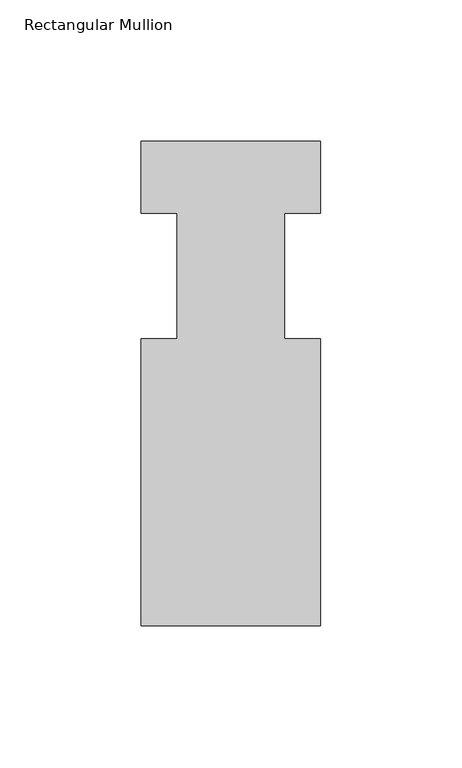
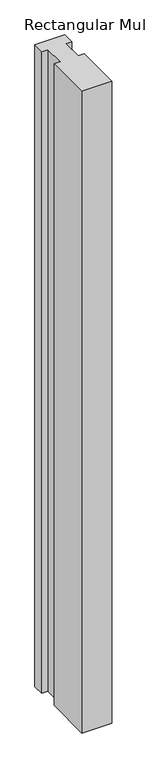
"""IFC4 building model written with IfcOpenShell, lengths in millimetres: member geometry, Rectangular Mullion."""

import ifcopenshell
import ifcopenshell.guid

model = None  # the IFC model being written
_history = None  # IfcOwnerHistory: only IFC2X3 demands one
_inside = {}  # id of a spatial element -> (the spatial element, [elements in it])
_under = {}  # id of a project, library or spatial element -> (it, [spatial elements below it])
_declared = {}  # id of a project -> (the project, [libraries it declares])
_typed = {}  # id of a type object -> (the type object, [elements of that type])
_made_of = {}  # id of a material, layer set ... -> (it, [elements and type objects made of it])


def new_model(schema):
    """Start an empty IFC model of exactly this schema.

    Asked for "IFC4X3", IfcOpenShell would pick the latest addendum, in which some entities
    have other attributes; the version numbers below select the first issue.
    IFC2X3 requires an IfcOwnerHistory on every rooted entity: one is made here for all.
    """
    global model, _history
    if schema == "IFC4X3":
        model = ifcopenshell.file(schema_version=(4, 3, 0, 0))
    else:
        model = ifcopenshell.file(schema=schema)
    _inside.clear()
    _under.clear()
    _declared.clear()
    _typed.clear()
    _made_of.clear()
    _history = None
    if model.schema == "IFC2X3":
        org = make("IfcOrganization", Name="unknown")
        user = make(
            "IfcPersonAndOrganization",
            ThePerson=make("IfcPerson", FamilyName="unknown"),
            TheOrganization=org,
        )
        app = make(
            "IfcApplication",
            ApplicationDeveloper=org,
            Version="unknown",
            ApplicationFullName="unknown",
            ApplicationIdentifier="unknown",
        )
        _history = make(
            "IfcOwnerHistory",
            OwningUser=user,
            OwningApplication=app,
            ChangeAction="ADDED",
            CreationDate=0,
        )
    return model


def make(cls, **values):
    """One entity of the class cls with the attributes given. An attribute that is None is left unset."""
    return model.create_entity(
        cls, **{name: value for name, value in values.items() if value is not None}
    )


def rooted(cls, **values):
    """An entity with a GlobalId (a new one), such as an element, a storey or a relation."""
    return make(cls, GlobalId=ifcopenshell.guid.new(), OwnerHistory=_history, **values)


def si_unit(unit_type, name, prefix=None):
    """IfcSIUnit, for example si_unit("LENGTHUNIT", "METRE", prefix="MILLI")."""
    return make("IfcSIUnit", UnitType=unit_type, Prefix=prefix, Name=name)


def assignment(units):
    """IfcUnitAssignment: the units of a project."""
    return None if units is None else make("IfcUnitAssignment", Units=units)


def point(xyz):
    """IfcCartesianPoint."""
    return None if xyz is None else make("IfcCartesianPoint", Coordinates=xyz)


def direction(xyz):
    """IfcDirection."""
    return None if xyz is None else make("IfcDirection", DirectionRatios=xyz)


def frame(location, z_axis=None, x_axis=None):
    """IfcAxis2Placement3D, a coordinate frame: its origin and axes. An axis left out is left unset."""
    return make(
        "IfcAxis2Placement3D",
        Location=point(location),
        Axis=direction(z_axis),
        RefDirection=direction(x_axis),
    )


def origin():
    """The frame at (0, 0, 0) with its axes left unset."""
    return frame((0.0, 0.0, 0.0))


def place(relative_to, where):
    """IfcLocalPlacement: puts the frame where relative to a parent placement (None: the world)."""
    return make(
        "IfcLocalPlacement", PlacementRelTo=relative_to, RelativePlacement=where
    )


def context(
    kind, dimensions, precision=None, world=None, true_north=None, identifier=None
):
    """IfcGeometricRepresentationContext, for example the 3D "Model" context."""
    return make(
        "IfcGeometricRepresentationContext",
        ContextIdentifier=identifier,
        ContextType=kind,
        CoordinateSpaceDimension=dimensions,
        Precision=precision,
        WorldCoordinateSystem=world,
        TrueNorth=true_north,
    )


def project(units=None, contexts=None):
    """IfcProject with its units and contexts."""
    return rooted(
        "IfcProject",
        Name="project",
        RepresentationContexts=contexts,
        UnitsInContext=assignment(units),
    )


def spatial(cls, under=None, at=None, **own):
    """A site, building, storey or space (cls), placed at a placement, below another one or the project."""
    s = rooted(cls, ObjectPlacement=at, **own)
    if under is not None:
        _under.setdefault(under.id(), (under, []))[1].append(s)
    return s


def polyline(points):
    """IfcPolyline through the points."""
    return make("IfcPolyline", Points=[point(p) for p in points])


def outline(outer, holes=None, kind="AREA"):
    """IfcArbitraryClosedProfileDef: a profile drawn as a closed curve; with holes, ...WithVoids."""
    if holes is None:
        return make("IfcArbitraryClosedProfileDef", ProfileType=kind, OuterCurve=outer)
    return make(
        "IfcArbitraryProfileDefWithVoids",
        ProfileType=kind,
        OuterCurve=outer,
        InnerCurves=holes,
    )


def extrude(swept, where, along, depth):
    """IfcExtrudedAreaSolid: the profile swept, set in the frame where, extruded along a direction by depth."""
    return make(
        "IfcExtrudedAreaSolid",
        SweptArea=swept,
        Position=where,
        ExtrudedDirection=direction(along),
        Depth=depth,
    )


def shape(context_of_items, identifier, shape_type, items):
    """IfcShapeRepresentation: the items that make up one representation, for example the "Body"."""
    return make(
        "IfcShapeRepresentation",
        ContextOfItems=context_of_items,
        RepresentationIdentifier=identifier,
        RepresentationType=shape_type,
        Items=items,
    )


def source(mapping_origin, context_of_items, identifier, shape_type, items):
    """IfcRepresentationMap: a shape defined once, which mapped items show again and again."""
    return make(
        "IfcRepresentationMap",
        MappingOrigin=mapping_origin,
        MappedRepresentation=shape(context_of_items, identifier, shape_type, items),
    )


def transform(
    local_origin,
    x_axis=None,
    y_axis=None,
    z_axis=None,
    scale=None,
    scale2=None,
    scale3=None,
    uniform=True,
):
    """IfcCartesianTransformationOperator3D, or its non-uniform kind. x_axis, y_axis, z_axis: its Axis1, 2, 3."""
    if uniform:
        return make(
            "IfcCartesianTransformationOperator3D",
            Axis1=direction(x_axis),
            Axis2=direction(y_axis),
            LocalOrigin=point(local_origin),
            Scale=scale,
            Axis3=direction(z_axis),
        )
    return make(
        "IfcCartesianTransformationOperator3DnonUniform",
        Axis1=direction(x_axis),
        Axis2=direction(y_axis),
        LocalOrigin=point(local_origin),
        Scale=scale,
        Axis3=direction(z_axis),
        Scale2=scale2,
        Scale3=scale3,
    )


def mapped(mapping_source, mapping_target):
    """IfcMappedItem: shows the shape of a source again, moved by a transform."""
    return make(
        "IfcMappedItem", MappingSource=mapping_source, MappingTarget=mapping_target
    )


def made_of(thing, what):
    """Note that an element or type object is made of a material, layer set ...; save() writes the relation."""
    if what is not None:
        _made_of.setdefault(what.id(), (what, []))[1].append(thing)
    return thing


def element(
    cls,
    number,
    at=None,
    inside=None,
    cuts=None,
    type_object=None,
    material=None,
    context=None,
    identifier="Body",
    shape_type=None,
    held_by="IfcProductDefinitionShape",
    body=None,
    shapes=None,
    **own,
):
    """One element of the class cls, such as IfcWall. Its Tag is "e" and its number.

    at: its placement. inside: the storey or other place that contains it. cuts: it is an
    opening in that element (IfcRelVoidsElement). A single representation is given by context,
    identifier, shape_type and body (its items); several are given by shapes. held_by: the class
    of the entity that holds the representations. save() writes the other relations.
    """
    e = rooted(cls, Tag="e%d" % number, ObjectPlacement=at, **own)
    if body is not None:
        shapes = [shape(context, identifier, shape_type, body)]
    if shapes is not None:
        e.Representation = make(held_by, Representations=shapes)
    if inside is not None:
        _inside.setdefault(inside.id(), (inside, []))[1].append(e)
    if cuts is not None:
        rooted(
            "IfcRelVoidsElement", RelatingBuildingElement=cuts, RelatedOpeningElement=e
        )
    if type_object is not None:
        _typed.setdefault(type_object.id(), (type_object, []))[1].append(e)
    return made_of(e, material)


def aggregate(whole, parts):
    """IfcRelAggregates: a whole, such as a stair, and the parts it consists of."""
    return rooted("IfcRelAggregates", RelatingObject=whole, RelatedObjects=parts)


def save(model, path):
    """Write the relations noted so far, then the file.

    IfcRelAggregates (storeys below a building ...), IfcRelContainedInSpatialStructure (elements
    in a storey), IfcRelDefinesByType, IfcRelAssociatesMaterial and IfcRelDeclares: one each for
    every whole, place, type object, material and project.
    """
    for whole, parts in _under.values():
        aggregate(whole, parts)
    for where, things in _inside.values():
        rooted(
            "IfcRelContainedInSpatialStructure",
            RelatedElements=things,
            RelatingStructure=where,
        )
    for kind, things in _typed.values():
        rooted("IfcRelDefinesByType", RelatedObjects=things, RelatingType=kind)
    for what, things in _made_of.values():
        rooted("IfcRelAssociatesMaterial", RelatedObjects=things, RelatingMaterial=what)
    for by, libraries in _declared.values():
        rooted("IfcRelDeclares", RelatingContext=by, RelatedDefinitions=libraries)
    model.write(path)


def rectangular_mullion_c486ddcb(model_context):
    return source(origin(), model_context, "Body", "SweptSolid", [
        extrude(outline(polyline([(31.75, -123.825), (-31.75, -123.825), (-31.75, -22.225), (-19.05, -22.225), (-19.05, 22.225), (-31.75, 22.225), (-31.75, 47.625), (31.75, 47.625), (31.75, 22.225), (19.05, 22.225), (19.05, -22.225), (31.75, -22.225), (31.75, -123.825)])), frame((0.0, 0.0, -1431.925), z_axis=(0.0, 0.0, 1.0), x_axis=(1.0, 0.0, 0.0)), (0.0, 0.0, 1.0), 1431.925),
    ])


if __name__ == "__main__":
    model = new_model("IFC4")
    model_context = context("Model", 3, world=origin())
    ifc_project = project(units=[si_unit("LENGTHUNIT", "METRE", prefix="MILLI")], contexts=[model_context])
    site = spatial("IfcSite", under=ifc_project)
    building = spatial("IfcBuilding", under=site)
    placement = place(None, origin())
    rectangular_mullion_shape = rectangular_mullion_c486ddcb(model_context)
    element("IfcMember", 1, ObjectType="Rectangular Mullion", at=placement, inside=building, context=model_context, shape_type="MappedRepresentation", body=[
        mapped(rectangular_mullion_shape, transform((0.0, 0.0, 0.0), x_axis=(1.0, 0.0, 0.0), y_axis=(0.0, 1.0, 0.0), z_axis=(0.0, 0.0, 1.0))),
    ])
    save(model, "model.ifc")
